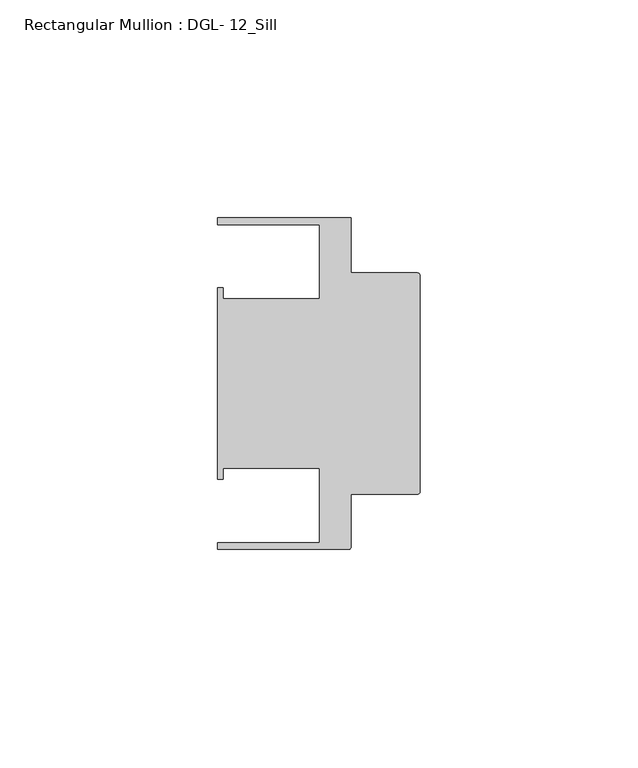
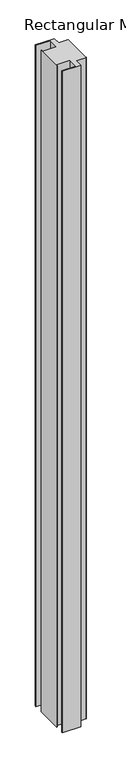
"""IFC4 building model written with IfcOpenShell, lengths in millimetres: member geometry, Rectangular Mullion : DGL- 12_Sill."""

import ifcopenshell
import ifcopenshell.guid

model = None  # the IFC model being written
_history = None  # IfcOwnerHistory: only IFC2X3 demands one
_inside = {}  # id of a spatial element -> (the spatial element, [elements in it])
_under = {}  # id of a project, library or spatial element -> (it, [spatial elements below it])
_declared = {}  # id of a project -> (the project, [libraries it declares])
_typed = {}  # id of a type object -> (the type object, [elements of that type])
_made_of = {}  # id of a material, layer set ... -> (it, [elements and type objects made of it])


def new_model(schema):
    """Start an empty IFC model of exactly this schema.

    Asked for "IFC4X3", IfcOpenShell would pick the latest addendum, in which some entities
    have other attributes; the version numbers below select the first issue.
    IFC2X3 requires an IfcOwnerHistory on every rooted entity: one is made here for all.
    """
    global model, _history
    if schema == "IFC4X3":
        model = ifcopenshell.file(schema_version=(4, 3, 0, 0))
    else:
        model = ifcopenshell.file(schema=schema)
    _inside.clear()
    _under.clear()
    _declared.clear()
    _typed.clear()
    _made_of.clear()
    _history = None
    if model.schema == "IFC2X3":
        org = make("IfcOrganization", Name="unknown")
        user = make(
            "IfcPersonAndOrganization",
            ThePerson=make("IfcPerson", FamilyName="unknown"),
            TheOrganization=org,
        )
        app = make(
            "IfcApplication",
            ApplicationDeveloper=org,
            Version="unknown",
            ApplicationFullName="unknown",
            ApplicationIdentifier="unknown",
        )
        _history = make(
            "IfcOwnerHistory",
            OwningUser=user,
            OwningApplication=app,
            ChangeAction="ADDED",
            CreationDate=0,
        )
    return model


def make(cls, **values):
    """One entity of the class cls with the attributes given. An attribute that is None is left unset."""
    return model.create_entity(
        cls, **{name: value for name, value in values.items() if value is not None}
    )


def rooted(cls, **values):
    """An entity with a GlobalId (a new one), such as an element, a storey or a relation."""
    return make(cls, GlobalId=ifcopenshell.guid.new(), OwnerHistory=_history, **values)


def si_unit(unit_type, name, prefix=None):
    """IfcSIUnit, for example si_unit("LENGTHUNIT", "METRE", prefix="MILLI")."""
    return make("IfcSIUnit", UnitType=unit_type, Prefix=prefix, Name=name)


def assignment(units):
    """IfcUnitAssignment: the units of a project."""
    return None if units is None else make("IfcUnitAssignment", Units=units)


def point(xyz):
    """IfcCartesianPoint."""
    return None if xyz is None else make("IfcCartesianPoint", Coordinates=xyz)


def direction(xyz):
    """IfcDirection."""
    return None if xyz is None else make("IfcDirection", DirectionRatios=xyz)


def frame(location, z_axis=None, x_axis=None):
    """IfcAxis2Placement3D, a coordinate frame: its origin and axes. An axis left out is left unset."""
    return make(
        "IfcAxis2Placement3D",
        Location=point(location),
        Axis=direction(z_axis),
        RefDirection=direction(x_axis),
    )


def frame_2d(location, x_axis=None):
    """IfcAxis2Placement2D, a coordinate frame in the plane: its origin and x axis."""
    return make(
        "IfcAxis2Placement2D", Location=point(location), RefDirection=direction(x_axis)
    )


def origin():
    """The frame at (0, 0, 0) with its axes left unset."""
    return frame((0.0, 0.0, 0.0))


def place(relative_to, where):
    """IfcLocalPlacement: puts the frame where relative to a parent placement (None: the world)."""
    return make(
        "IfcLocalPlacement", PlacementRelTo=relative_to, RelativePlacement=where
    )


def context(
    kind, dimensions, precision=None, world=None, true_north=None, identifier=None
):
    """IfcGeometricRepresentationContext, for example the 3D "Model" context."""
    return make(
        "IfcGeometricRepresentationContext",
        ContextIdentifier=identifier,
        ContextType=kind,
        CoordinateSpaceDimension=dimensions,
        Precision=precision,
        WorldCoordinateSystem=world,
        TrueNorth=true_north,
    )


def project(units=None, contexts=None):
    """IfcProject with its units and contexts."""
    return rooted(
        "IfcProject",
        Name="project",
        RepresentationContexts=contexts,
        UnitsInContext=assignment(units),
    )


def spatial(cls, under=None, at=None, **own):
    """A site, building, storey or space (cls), placed at a placement, below another one or the project."""
    s = rooted(cls, ObjectPlacement=at, **own)
    if under is not None:
        _under.setdefault(under.id(), (under, []))[1].append(s)
    return s


def polyline(points):
    """IfcPolyline through the points."""
    return make("IfcPolyline", Points=[point(p) for p in points])


def circle_curve(where, radius):
    """IfcCircle in the frame where."""
    return make("IfcCircle", Position=where, Radius=radius)


def trimmed(basis, trim1, trim2, sense, master):
    """IfcTrimmedCurve: the piece of a basis curve between two trims."""
    return make(
        "IfcTrimmedCurve",
        BasisCurve=basis,
        Trim1=trim1,
        Trim2=trim2,
        SenseAgreement=sense,
        MasterRepresentation=master,
    )


def segment(curve, same_sense, transition):
    """IfcCompositeCurveSegment."""
    return make(
        "IfcCompositeCurveSegment",
        Transition=transition,
        SameSense=same_sense,
        ParentCurve=curve,
    )


def composite_curve(segments, self_intersect=None):
    """IfcCompositeCurve: segments joined end to end."""
    return make("IfcCompositeCurve", Segments=segments, SelfIntersect=self_intersect)


def outline(outer, holes=None, kind="AREA"):
    """IfcArbitraryClosedProfileDef: a profile drawn as a closed curve; with holes, ...WithVoids."""
    if holes is None:
        return make("IfcArbitraryClosedProfileDef", ProfileType=kind, OuterCurve=outer)
    return make(
        "IfcArbitraryProfileDefWithVoids",
        ProfileType=kind,
        OuterCurve=outer,
        InnerCurves=holes,
    )


def extrude(swept, where, along, depth):
    """IfcExtrudedAreaSolid: the profile swept, set in the frame where, extruded along a direction by depth."""
    return make(
        "IfcExtrudedAreaSolid",
        SweptArea=swept,
        Position=where,
        ExtrudedDirection=direction(along),
        Depth=depth,
    )


def shape(context_of_items, identifier, shape_type, items):
    """IfcShapeRepresentation: the items that make up one representation, for example the "Body"."""
    return make(
        "IfcShapeRepresentation",
        ContextOfItems=context_of_items,
        RepresentationIdentifier=identifier,
        RepresentationType=shape_type,
        Items=items,
    )


def source(mapping_origin, context_of_items, identifier, shape_type, items):
    """IfcRepresentationMap: a shape defined once, which mapped items show again and again."""
    return make(
        "IfcRepresentationMap",
        MappingOrigin=mapping_origin,
        MappedRepresentation=shape(context_of_items, identifier, shape_type, items),
    )


def transform(
    local_origin,
    x_axis=None,
    y_axis=None,
    z_axis=None,
    scale=None,
    scale2=None,
    scale3=None,
    uniform=True,
):
    """IfcCartesianTransformationOperator3D, or its non-uniform kind. x_axis, y_axis, z_axis: its Axis1, 2, 3."""
    if uniform:
        return make(
            "IfcCartesianTransformationOperator3D",
            Axis1=direction(x_axis),
            Axis2=direction(y_axis),
            LocalOrigin=point(local_origin),
            Scale=scale,
            Axis3=direction(z_axis),
        )
    return make(
        "IfcCartesianTransformationOperator3DnonUniform",
        Axis1=direction(x_axis),
        Axis2=direction(y_axis),
        LocalOrigin=point(local_origin),
        Scale=scale,
        Axis3=direction(z_axis),
        Scale2=scale2,
        Scale3=scale3,
    )


def mapped(mapping_source, mapping_target):
    """IfcMappedItem: shows the shape of a source again, moved by a transform."""
    return make(
        "IfcMappedItem", MappingSource=mapping_source, MappingTarget=mapping_target
    )


def made_of(thing, what):
    """Note that an element or type object is made of a material, layer set ...; save() writes the relation."""
    if what is not None:
        _made_of.setdefault(what.id(), (what, []))[1].append(thing)
    return thing


def element(
    cls,
    number,
    at=None,
    inside=None,
    cuts=None,
    type_object=None,
    material=None,
    context=None,
    identifier="Body",
    shape_type=None,
    held_by="IfcProductDefinitionShape",
    body=None,
    shapes=None,
    **own,
):
    """One element of the class cls, such as IfcWall. Its Tag is "e" and its number.

    at: its placement. inside: the storey or other place that contains it. cuts: it is an
    opening in that element (IfcRelVoidsElement). A single representation is given by context,
    identifier, shape_type and body (its items); several are given by shapes. held_by: the class
    of the entity that holds the representations. save() writes the other relations.
    """
    e = rooted(cls, Tag="e%d" % number, ObjectPlacement=at, **own)
    if body is not None:
        shapes = [shape(context, identifier, shape_type, body)]
    if shapes is not None:
        e.Representation = make(held_by, Representations=shapes)
    if inside is not None:
        _inside.setdefault(inside.id(), (inside, []))[1].append(e)
    if cuts is not None:
        rooted(
            "IfcRelVoidsElement", RelatingBuildingElement=cuts, RelatedOpeningElement=e
        )
    if type_object is not None:
        _typed.setdefault(type_object.id(), (type_object, []))[1].append(e)
    return made_of(e, material)


def aggregate(whole, parts):
    """IfcRelAggregates: a whole, such as a stair, and the parts it consists of."""
    return rooted("IfcRelAggregates", RelatingObject=whole, RelatedObjects=parts)


def save(model, path):
    """Write the relations noted so far, then the file.

    IfcRelAggregates (storeys below a building ...), IfcRelContainedInSpatialStructure (elements
    in a storey), IfcRelDefinesByType, IfcRelAssociatesMaterial and IfcRelDeclares: one each for
    every whole, place, type object, material and project.
    """
    for whole, parts in _under.values():
        aggregate(whole, parts)
    for where, things in _inside.values():
        rooted(
            "IfcRelContainedInSpatialStructure",
            RelatedElements=things,
            RelatingStructure=where,
        )
    for kind, things in _typed.values():
        rooted("IfcRelDefinesByType", RelatedObjects=things, RelatingType=kind)
    for what, things in _made_of.values():
        rooted("IfcRelAssociatesMaterial", RelatedObjects=things, RelatingMaterial=what)
    for by, libraries in _declared.values():
        rooted("IfcRelDeclares", RelatingContext=by, RelatedDefinitions=libraries)
    model.write(path)


def rectangular_mullion_dgl_12_sill_2106de81(model_context):
    return source(origin(), model_context, "Body", "SweptSolid", [
        extrude(outline(composite_curve([segment(trimmed(circle_curve(frame_2d((-0.5953125, 24.8046875)), 0.5953125), [point((-0.5953125, 25.4))], [point((0.0, 24.8046875))], False, "CARTESIAN"), True, "CONTINUOUS"), segment(polyline([(0.0, 24.8046875), (0.0, -24.8046875)]), True, "CONTINUOUS"), segment(trimmed(circle_curve(frame_2d((-0.5953125, -24.8046875)), 0.5953125), [point((0.0, -24.8046875))], [point((-0.5953125, -25.4))], False, "CARTESIAN"), True, "CONTINUOUS"), segment(polyline([(-0.5953125, -25.4), (-15.8750672, -25.4), (-15.8750672, -37.5047035)]), True, "CONTINUOUS"), segment(trimmed(circle_curve(frame_2d((-16.4703797, -37.5047035)), 0.5953125), [point((-15.8750672, -37.5047035))], [point((-16.4703797, -38.100016))], False, "CARTESIAN"), True, "CONTINUOUS"), segment(polyline([(-16.4703797, -38.100016), (-46.54296, -38.100016), (-46.54296, -36.512516), (-23.1202791, -36.512516), (-23.1202791, -19.4824275), (-45.2865266, -19.4824275), (-45.2865266, -21.9710976), (-46.54296, -21.9710976), (-46.54296, 21.9710976), (-45.2865266, 21.9710976), (-45.2865266, 19.4824275), (-23.1202791, 19.4824275), (-23.1202791, 36.512516), (-46.54296, 36.512516), (-46.54296, 38.0996792), (-15.8750672, 38.0996792), (-15.8750672, 25.4), (-0.5953125, 25.4)]), True, "CONTINUOUS")], self_intersect=False)), frame((0.0, 0.0, -1143.0), z_axis=(0.0, 0.0, 1.0), x_axis=(1.0, 0.0, 0.0)), (0.0, 0.0, 1.0), 1143.0),
    ])


if __name__ == "__main__":
    model = new_model("IFC4")
    model_context = context("Model", 3, world=origin())
    ifc_project = project(units=[si_unit("LENGTHUNIT", "METRE", prefix="MILLI")], contexts=[model_context])
    site = spatial("IfcSite", under=ifc_project)
    building = spatial("IfcBuilding", under=site)
    placement = place(None, origin())
    rectangular_mullion_dgl_12_sill_shape = rectangular_mullion_dgl_12_sill_2106de81(model_context)
    element("IfcMember", 1, ObjectType="Rectangular Mullion : DGL- 12_Sill", at=placement, inside=building, context=model_context, shape_type="MappedRepresentation", body=[
        mapped(rectangular_mullion_dgl_12_sill_shape, transform((0.0, 0.0, 0.0), x_axis=(1.0, 0.0, 0.0), y_axis=(0.0, 1.0, 0.0), z_axis=(0.0, 0.0, 1.0))),
    ])
    save(model, "model.ifc")
